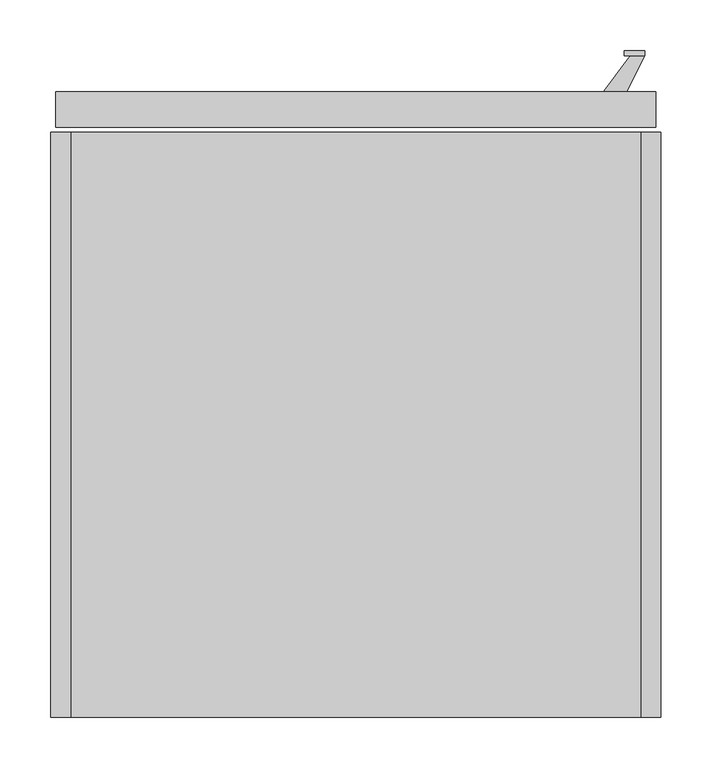
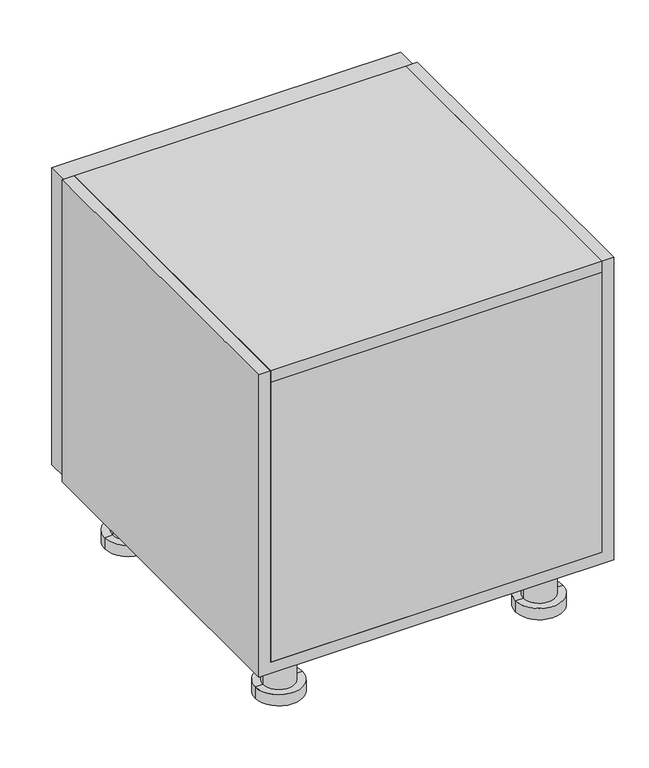
"""IFC4 building model written with IfcOpenShell, lengths in millimetres: furniture geometry."""

from ifc_helpers import new_model, si_unit, frame, origin, place, context, project, spatial, polyline, circle_curve, outline, extrude, faceted_brep, source, transform, mapped, element, save
from ifc_brep_helpers import plane_surface, cylinder_surface, advanced_brep


def furniture_3b3986ab(model_context):
    return source(origin(), model_context, "Body", "SolidModel", [
        extrude(outline(polyline([(540.0, 610.0), (570.0, 650.2555661), (584.1369396, 650.2555661), (564.1369396, 610.0), (540.0, 610.0)])), frame((0.0, 0.0, 209.0), z_axis=(0.0, 0.0, 1.0), x_axis=(1.0, 0.0, 0.0)), (0.0, 0.0, 1.0), 12.0),
        extrude(outline(polyline([(540.0, 610.0), (570.0, 650.2555661), (584.1369396, 650.2555661), (564.1369396, 610.0), (540.0, 610.0)])), frame((0.0, 0.0, 319.0), z_axis=(0.0, 0.0, 1.0), x_axis=(1.0, 0.0, 0.0)), (0.0, 0.0, 1.0), 12.0),
        extrude(outline(polyline([(584.1369396, 655.2555661), (584.1369396, 650.2555661), (564.1369396, 650.2555661), (564.1369396, 655.2555661), (584.1369396, 655.2555661)])), frame((0.0, 0.0, 190.0), z_axis=(0.0, 0.0, 1.0), x_axis=(1.0, 0.0, 0.0)), (0.0, 0.0, 1.0), 160.0),
        advanced_brep(
        [(120.0, 520.0, 0.0), (40.0, 520.0, 0.0), (80.0, 520.0, 0.0), (120.0, 520.0, -20.0), (40.0, 520.0, -20.0), (106.6666667, 520.0, -20.0), (53.3333333, 520.0, -20.0), (106.6666667, 520.0, -80.0), (53.3333333, 520.0, -80.0), (120.0, 520.0, -80.0), (40.0, 520.0, -80.0), (120.0, 520.0, -100.0), (40.0, 520.0, -100.0), (80.0, 520.0, -100.0)],
        [
            (0, 1, circle_curve(frame((80.0, 520.0, 0.0), z_axis=(0.0, 0.0, 1.0), x_axis=(-1.0, 0.0, 0.0)), 40.0)),
            (1, 2),
            (2, 0),
            (1, 0, circle_curve(frame((80.0, 520.0, 0.0), z_axis=(0.0, 0.0, 1.0), x_axis=(-1.0, 0.0, 0.0)), 40.0)),
            (3, 4, circle_curve(frame((80.0, 520.0, -20.0), z_axis=(0.0, 0.0, 1.0), x_axis=(-1.0, 0.0, 0.0)), 40.0)),
            (4, 1),
            (0, 3),
            (4, 3, circle_curve(frame((80.0, 520.0, -20.0), z_axis=(0.0, 0.0, 1.0), x_axis=(-1.0, 0.0, 0.0)), 40.0)),
            (5, 6, circle_curve(frame((80.0, 520.0, -20.0), z_axis=(0.0, 0.0, 1.0), x_axis=(-1.0, 0.0, 0.0)), 26.6666667)),
            (6, 4),
            (3, 5),
            (6, 5, circle_curve(frame((80.0, 520.0, -20.0), z_axis=(0.0, 0.0, 1.0), x_axis=(-1.0, 0.0, 0.0)), 26.6666667)),
            (7, 8, circle_curve(frame((80.0, 520.0, -80.0), z_axis=(0.0, 0.0, 1.0), x_axis=(-1.0, 0.0, 0.0)), 26.6666667)),
            (8, 6),
            (5, 7),
            (8, 7, circle_curve(frame((80.0, 520.0, -80.0), z_axis=(0.0, 0.0, 1.0), x_axis=(-1.0, 0.0, 0.0)), 26.6666667)),
            (9, 10, circle_curve(frame((80.0, 520.0, -80.0), z_axis=(0.0, 0.0, 1.0), x_axis=(-1.0, 0.0, 0.0)), 40.0)),
            (10, 8),
            (7, 9),
            (10, 9, circle_curve(frame((80.0, 520.0, -80.0), z_axis=(0.0, 0.0, 1.0), x_axis=(-1.0, 0.0, 0.0)), 40.0)),
            (11, 12, circle_curve(frame((80.0, 520.0, -100.0), z_axis=(0.0, 0.0, 1.0), x_axis=(-1.0, 0.0, 0.0)), 40.0)),
            (12, 10),
            (9, 11),
            (12, 11, circle_curve(frame((80.0, 520.0, -100.0), z_axis=(0.0, 0.0, 1.0), x_axis=(-1.0, 0.0, 0.0)), 40.0)),
            (13, 12),
            (11, 13),
        ],
        [
            plane_surface(frame((80.0, 520.0, 0.0), z_axis=(0.0, 0.0, 1.0), x_axis=(-1.0, 0.0, 0.0))),
            cylinder_surface(frame((80.0, 520.0, -135.0), z_axis=(0.0, 0.0, -1.0), x_axis=(-1.0, 0.0, 0.0)), 40.0),
            plane_surface(frame((80.0, 520.0, -20.0), z_axis=(0.0, 0.0, -1.0), x_axis=(-1.0, 0.0, 0.0))),
            cylinder_surface(frame((80.0, 520.0, -135.0), z_axis=(0.0, 0.0, -1.0), x_axis=(-1.0, 0.0, 0.0)), 26.6666667),
            plane_surface(frame((80.0, 520.0, -80.0), z_axis=(0.0, 0.0, 1.0), x_axis=(-1.0, 0.0, 0.0))),
            plane_surface(frame((80.0, 520.0, -100.0), z_axis=(0.0, 0.0, -1.0), x_axis=(-1.0, 0.0, 0.0))),
        ],
        [
            (0, [[1, 2, 3]]),
            (0, [[4, -3, -2]]),
            (1, [[5, 6, -1, 7]]),
            (1, [[8, -7, -4, -6]]),
            (2, [[9, 10, -5, 11]]),
            (2, [[12, -11, -8, -10]]),
            (3, [[13, 14, -9, 15]]),
            (3, [[16, -15, -12, -14]]),
            (4, [[17, 18, -13, 19]]),
            (4, [[20, -19, -16, -18]]),
            (1, [[21, 22, -17, 23]]),
            (1, [[24, -23, -20, -22]]),
            (5, [[25, -21, 26]]),
            (5, [[-26, -24, -25]]),
        ],
    ),
        advanced_brep(
        [(560.0, 520.0, 0.0), (480.0, 520.0, 0.0), (520.0, 520.0, 0.0), (560.0, 520.0, -20.0), (480.0, 520.0, -20.0), (546.6666667, 520.0, -20.0), (493.3333333, 520.0, -20.0), (546.6666667, 520.0, -80.0), (493.3333333, 520.0, -80.0), (560.0, 520.0, -80.0), (480.0, 520.0, -80.0), (560.0, 520.0, -100.0), (480.0, 520.0, -100.0), (520.0, 520.0, -100.0)],
        [
            (0, 1, circle_curve(frame((520.0, 520.0, 0.0), z_axis=(0.0, 0.0, 1.0), x_axis=(-1.0, 0.0, 0.0)), 40.0)),
            (1, 2),
            (2, 0),
            (1, 0, circle_curve(frame((520.0, 520.0, 0.0), z_axis=(0.0, 0.0, 1.0), x_axis=(-1.0, 0.0, 0.0)), 40.0)),
            (3, 4, circle_curve(frame((520.0, 520.0, -20.0), z_axis=(0.0, 0.0, 1.0), x_axis=(-1.0, 0.0, 0.0)), 40.0)),
            (4, 1),
            (0, 3),
            (4, 3, circle_curve(frame((520.0, 520.0, -20.0), z_axis=(0.0, 0.0, 1.0), x_axis=(-1.0, 0.0, 0.0)), 40.0)),
            (5, 6, circle_curve(frame((520.0, 520.0, -20.0), z_axis=(0.0, 0.0, 1.0), x_axis=(-1.0, 0.0, 0.0)), 26.6666667)),
            (6, 4),
            (3, 5),
            (6, 5, circle_curve(frame((520.0, 520.0, -20.0), z_axis=(0.0, 0.0, 1.0), x_axis=(-1.0, 0.0, 0.0)), 26.6666667)),
            (7, 8, circle_curve(frame((520.0, 520.0, -80.0), z_axis=(0.0, 0.0, 1.0), x_axis=(-1.0, 0.0, 0.0)), 26.6666667)),
            (8, 6),
            (5, 7),
            (8, 7, circle_curve(frame((520.0, 520.0, -80.0), z_axis=(0.0, 0.0, 1.0), x_axis=(-1.0, 0.0, 0.0)), 26.6666667)),
            (9, 10, circle_curve(frame((520.0, 520.0, -80.0), z_axis=(0.0, 0.0, 1.0), x_axis=(-1.0, 0.0, 0.0)), 40.0)),
            (10, 8),
            (7, 9),
            (10, 9, circle_curve(frame((520.0, 520.0, -80.0), z_axis=(0.0, 0.0, 1.0), x_axis=(-1.0, 0.0, 0.0)), 40.0)),
            (11, 12, circle_curve(frame((520.0, 520.0, -100.0), z_axis=(0.0, 0.0, 1.0), x_axis=(-1.0, 0.0, 0.0)), 40.0)),
            (12, 10),
            (9, 11),
            (12, 11, circle_curve(frame((520.0, 520.0, -100.0), z_axis=(0.0, 0.0, 1.0), x_axis=(-1.0, 0.0, 0.0)), 40.0)),
            (13, 12),
            (11, 13),
        ],
        [
            plane_surface(frame((520.0, 520.0, 0.0), z_axis=(0.0, 0.0, 1.0), x_axis=(-1.0, 0.0, 0.0))),
            cylinder_surface(frame((520.0, 520.0, -135.0), z_axis=(0.0, 0.0, -1.0), x_axis=(-1.0, 0.0, 0.0)), 40.0),
            plane_surface(frame((520.0, 520.0, -20.0), z_axis=(0.0, 0.0, -1.0), x_axis=(-1.0, 0.0, 0.0))),
            cylinder_surface(frame((520.0, 520.0, -135.0), z_axis=(0.0, 0.0, -1.0), x_axis=(-1.0, 0.0, 0.0)), 26.6666667),
            plane_surface(frame((520.0, 520.0, -80.0), z_axis=(0.0, 0.0, 1.0), x_axis=(-1.0, 0.0, 0.0))),
            plane_surface(frame((520.0, 520.0, -100.0), z_axis=(0.0, 0.0, -1.0), x_axis=(-1.0, 0.0, 0.0))),
        ],
        [
            (0, [[1, 2, 3]]),
            (0, [[4, -3, -2]]),
            (1, [[5, 6, -1, 7]]),
            (1, [[8, -7, -4, -6]]),
            (2, [[9, 10, -5, 11]]),
            (2, [[12, -11, -8, -10]]),
            (3, [[13, 14, -9, 15]]),
            (3, [[16, -15, -12, -14]]),
            (4, [[17, 18, -13, 19]]),
            (4, [[20, -19, -16, -18]]),
            (1, [[21, 22, -17, 23]]),
            (1, [[24, -23, -20, -22]]),
            (5, [[25, -21, 26]]),
            (5, [[-26, -24, -25]]),
        ],
    ),
        advanced_brep(
        [(120.0, 80.0, 0.0), (40.0, 80.0, 0.0), (80.0, 80.0, 0.0), (120.0, 80.0, -20.0), (40.0, 80.0, -20.0), (106.6666667, 80.0, -20.0), (53.3333333, 80.0, -20.0), (106.6666667, 80.0, -80.0), (53.3333333, 80.0, -80.0), (120.0, 80.0, -80.0), (40.0, 80.0, -80.0), (120.0, 80.0, -100.0), (40.0, 80.0, -100.0), (80.0, 80.0, -100.0)],
        [
            (0, 1, circle_curve(frame((80.0, 80.0, 0.0), z_axis=(0.0, 0.0, 1.0), x_axis=(-1.0, 0.0, 0.0)), 40.0)),
            (1, 2),
            (2, 0),
            (1, 0, circle_curve(frame((80.0, 80.0, 0.0), z_axis=(0.0, 0.0, 1.0), x_axis=(-1.0, 0.0, 0.0)), 40.0)),
            (3, 4, circle_curve(frame((80.0, 80.0, -20.0), z_axis=(0.0, 0.0, 1.0), x_axis=(-1.0, 0.0, 0.0)), 40.0)),
            (4, 1),
            (0, 3),
            (4, 3, circle_curve(frame((80.0, 80.0, -20.0), z_axis=(0.0, 0.0, 1.0), x_axis=(-1.0, 0.0, 0.0)), 40.0)),
            (5, 6, circle_curve(frame((80.0, 80.0, -20.0), z_axis=(0.0, 0.0, 1.0), x_axis=(-1.0, 0.0, 0.0)), 26.6666667)),
            (6, 4),
            (3, 5),
            (6, 5, circle_curve(frame((80.0, 80.0, -20.0), z_axis=(0.0, 0.0, 1.0), x_axis=(-1.0, 0.0, 0.0)), 26.6666667)),
            (7, 8, circle_curve(frame((80.0, 80.0, -80.0), z_axis=(0.0, 0.0, 1.0), x_axis=(-1.0, 0.0, 0.0)), 26.6666667)),
            (8, 6),
            (5, 7),
            (8, 7, circle_curve(frame((80.0, 80.0, -80.0), z_axis=(0.0, 0.0, 1.0), x_axis=(-1.0, 0.0, 0.0)), 26.6666667)),
            (9, 10, circle_curve(frame((80.0, 80.0, -80.0), z_axis=(0.0, 0.0, 1.0), x_axis=(-1.0, 0.0, 0.0)), 40.0)),
            (10, 8),
            (7, 9),
            (10, 9, circle_curve(frame((80.0, 80.0, -80.0), z_axis=(0.0, 0.0, 1.0), x_axis=(-1.0, 0.0, 0.0)), 40.0)),
            (11, 12, circle_curve(frame((80.0, 80.0, -100.0), z_axis=(0.0, 0.0, 1.0), x_axis=(-1.0, 0.0, 0.0)), 40.0)),
            (12, 10),
            (9, 11),
            (12, 11, circle_curve(frame((80.0, 80.0, -100.0), z_axis=(0.0, 0.0, 1.0), x_axis=(-1.0, 0.0, 0.0)), 40.0)),
            (13, 12),
            (11, 13),
        ],
        [
            plane_surface(frame((80.0, 80.0, 0.0), z_axis=(0.0, 0.0, 1.0), x_axis=(-1.0, 0.0, 0.0))),
            cylinder_surface(frame((80.0, 80.0, -135.0), z_axis=(0.0, 0.0, -1.0), x_axis=(-1.0, 0.0, 0.0)), 40.0),
            plane_surface(frame((80.0, 80.0, -20.0), z_axis=(0.0, 0.0, -1.0), x_axis=(-1.0, 0.0, 0.0))),
            cylinder_surface(frame((80.0, 80.0, -135.0), z_axis=(0.0, 0.0, -1.0), x_axis=(-1.0, 0.0, 0.0)), 26.6666667),
            plane_surface(frame((80.0, 80.0, -80.0), z_axis=(0.0, 0.0, 1.0), x_axis=(-1.0, 0.0, 0.0))),
            plane_surface(frame((80.0, 80.0, -100.0), z_axis=(0.0, 0.0, -1.0), x_axis=(-1.0, 0.0, 0.0))),
        ],
        [
            (0, [[1, 2, 3]]),
            (0, [[4, -3, -2]]),
            (1, [[5, 6, -1, 7]]),
            (1, [[8, -7, -4, -6]]),
            (2, [[9, 10, -5, 11]]),
            (2, [[12, -11, -8, -10]]),
            (3, [[13, 14, -9, 15]]),
            (3, [[16, -15, -12, -14]]),
            (4, [[17, 18, -13, 19]]),
            (4, [[20, -19, -16, -18]]),
            (1, [[21, 22, -17, 23]]),
            (1, [[24, -23, -20, -22]]),
            (5, [[25, -21, 26]]),
            (5, [[-26, -24, -25]]),
        ],
    ),
        advanced_brep(
        [(560.0, 80.0, 0.0), (480.0, 80.0, 0.0), (520.0, 80.0, 0.0), (560.0, 80.0, -20.0), (480.0, 80.0, -20.0), (546.6666667, 80.0, -20.0), (493.3333333, 80.0, -20.0), (546.6666667, 80.0, -80.0), (493.3333333, 80.0, -80.0), (560.0, 80.0, -80.0), (480.0, 80.0, -80.0), (560.0, 80.0, -100.0), (480.0, 80.0, -100.0), (520.0, 80.0, -100.0)],
        [
            (0, 1, circle_curve(frame((520.0, 80.0, 0.0), z_axis=(0.0, 0.0, 1.0), x_axis=(-1.0, 0.0, 0.0)), 40.0)),
            (1, 2),
            (2, 0),
            (1, 0, circle_curve(frame((520.0, 80.0, 0.0), z_axis=(0.0, 0.0, 1.0), x_axis=(-1.0, 0.0, 0.0)), 40.0)),
            (3, 4, circle_curve(frame((520.0, 80.0, -20.0), z_axis=(0.0, 0.0, 1.0), x_axis=(-1.0, 0.0, 0.0)), 40.0)),
            (4, 1),
            (0, 3),
            (4, 3, circle_curve(frame((520.0, 80.0, -20.0), z_axis=(0.0, 0.0, 1.0), x_axis=(-1.0, 0.0, 0.0)), 40.0)),
            (5, 6, circle_curve(frame((520.0, 80.0, -20.0), z_axis=(0.0, 0.0, 1.0), x_axis=(-1.0, 0.0, 0.0)), 26.6666667)),
            (6, 4),
            (3, 5),
            (6, 5, circle_curve(frame((520.0, 80.0, -20.0), z_axis=(0.0, 0.0, 1.0), x_axis=(-1.0, 0.0, 0.0)), 26.6666667)),
            (7, 8, circle_curve(frame((520.0, 80.0, -80.0), z_axis=(0.0, 0.0, 1.0), x_axis=(-1.0, 0.0, 0.0)), 26.6666667)),
            (8, 6),
            (5, 7),
            (8, 7, circle_curve(frame((520.0, 80.0, -80.0), z_axis=(0.0, 0.0, 1.0), x_axis=(-1.0, 0.0, 0.0)), 26.6666667)),
            (9, 10, circle_curve(frame((520.0, 80.0, -80.0), z_axis=(0.0, 0.0, 1.0), x_axis=(-1.0, 0.0, 0.0)), 40.0)),
            (10, 8),
            (7, 9),
            (10, 9, circle_curve(frame((520.0, 80.0, -80.0), z_axis=(0.0, 0.0, 1.0), x_axis=(-1.0, 0.0, 0.0)), 40.0)),
            (11, 12, circle_curve(frame((520.0, 80.0, -100.0), z_axis=(0.0, 0.0, 1.0), x_axis=(-1.0, 0.0, 0.0)), 40.0)),
            (12, 10),
            (9, 11),
            (12, 11, circle_curve(frame((520.0, 80.0, -100.0), z_axis=(0.0, 0.0, 1.0), x_axis=(-1.0, 0.0, 0.0)), 40.0)),
            (13, 12),
            (11, 13),
        ],
        [
            plane_surface(frame((520.0, 80.0, 0.0), z_axis=(0.0, 0.0, 1.0), x_axis=(-1.0, 0.0, 0.0))),
            cylinder_surface(frame((520.0, 80.0, -135.0), z_axis=(0.0, 0.0, -1.0), x_axis=(-1.0, 0.0, 0.0)), 40.0),
            plane_surface(frame((520.0, 80.0, -20.0), z_axis=(0.0, 0.0, -1.0), x_axis=(-1.0, 0.0, 0.0))),
            cylinder_surface(frame((520.0, 80.0, -135.0), z_axis=(0.0, 0.0, -1.0), x_axis=(-1.0, 0.0, 0.0)), 26.6666667),
            plane_surface(frame((520.0, 80.0, -80.0), z_axis=(0.0, 0.0, 1.0), x_axis=(-1.0, 0.0, 0.0))),
            plane_surface(frame((520.0, 80.0, -100.0), z_axis=(0.0, 0.0, -1.0), x_axis=(-1.0, 0.0, 0.0))),
        ],
        [
            (0, [[1, 2, 3]]),
            (0, [[4, -3, -2]]),
            (1, [[5, 6, -1, 7]]),
            (1, [[8, -7, -4, -6]]),
            (2, [[9, 10, -5, 11]]),
            (2, [[12, -11, -8, -10]]),
            (3, [[13, 14, -9, 15]]),
            (3, [[16, -15, -12, -14]]),
            (4, [[17, 18, -13, 19]]),
            (4, [[20, -19, -16, -18]]),
            (1, [[21, 22, -17, 23]]),
            (1, [[24, -23, -20, -22]]),
            (5, [[25, -21, 26]]),
            (5, [[-26, -24, -25]]),
        ],
    ),
        extrude(outline(polyline([(580.0, 5.0), (20.0, 5.0), (20.0, 575.0), (580.0, 575.0), (580.0, 5.0)])), frame((0.0, 0.0, 270.0), z_axis=(0.0, 0.0, 1.0), x_axis=(1.0, 0.0, 0.0)), (0.0, 0.0, 1.0), 20.0),
        extrude(outline(polyline([(580.0, 0.0), (20.0, 0.0), (20.0, 575.0), (580.0, 575.0), (580.0, 0.0)])), frame((0.0, 0.0, 520.0), z_axis=(0.0, 0.0, 1.0), x_axis=(1.0, 0.0, 0.0)), (0.0, 0.0, 1.0), 20.0),
        extrude(outline(polyline([(580.0, 0.0), (20.0, 0.0), (20.0, 5.0), (580.0, 5.0), (580.0, 0.0)])), frame((0.0, 0.0, 20.0), z_axis=(0.0, 0.0, 1.0), x_axis=(1.0, 0.0, 0.0)), (0.0, 0.0, 1.0), 500.0),
        extrude(outline(polyline([(540.0, 20.0), (540.0, 0.0), (0.0, 0.0), (0.0, 600.0), (540.0, 600.0), (540.0, 580.0), (20.0, 580.0), (20.0, 20.0), (540.0, 20.0)])), frame((0.0, 0.0, 0.0), z_axis=(0.0, 1.0, 0.0), x_axis=(0.0, 0.0, 1.0)), (0.0, 0.0, 1.0), 575.0),
        extrude(outline(polyline([(530.0, 580.0), (70.0, 580.0), (70.0, 600.0), (530.0, 600.0), (530.0, 580.0)])), frame((0.0, 0.0, 70.0), z_axis=(0.0, 0.0, 1.0), x_axis=(1.0, 0.0, 0.0)), (0.0, 0.0, 1.0), 400.0),
        faceted_brep([(540.0, 605.0, 480.0), (540.0, 610.0, 480.0), (540.0, 610.0, 60.0), (540.0, 605.0, 60.0), (567.5, 610.0, 507.5), (567.5, 615.0, 507.5), (567.5, 615.0, 32.5), (567.5, 610.0, 32.5), (595.0, 615.0, 535.0), (595.0, 580.0, 535.0), (595.0, 580.0, 5.0), (595.0, 615.0, 5.0), (530.0, 580.0, 470.0), (530.0, 605.0, 470.0), (530.0, 605.0, 70.0), (530.0, 580.0, 70.0), (60.0, 610.0, 60.0), (60.0, 605.0, 60.0), (32.5, 615.0, 32.5), (32.5, 610.0, 32.5), (5.0, 580.0, 5.0), (5.0, 615.0, 5.0), (70.0, 605.0, 70.0), (70.0, 580.0, 70.0), (60.0, 610.0, 480.0), (60.0, 605.0, 480.0), (32.5, 615.0, 507.5), (32.5, 610.0, 507.5), (5.0, 580.0, 535.0), (5.0, 615.0, 535.0), (70.0, 605.0, 470.0), (70.0, 580.0, 470.0)], [[[0, 1, 2, 3]], [[4, 5, 6, 7]], [[8, 9, 10, 11]], [[12, 13, 14, 15]], [[3, 2, 16, 17]], [[7, 6, 18, 19]], [[11, 10, 20, 21]], [[15, 14, 22, 23]], [[17, 16, 24, 25]], [[19, 18, 26, 27]], [[21, 20, 28, 29]], [[23, 22, 30, 31]], [[25, 24, 1, 0]], [[7, 19, 27, 4], [1, 24, 16, 2]], [[27, 26, 5, 4]], [[11, 21, 29, 8], [5, 26, 18, 6]], [[29, 28, 9, 8]], [[9, 28, 20, 10], [15, 23, 31, 12]], [[31, 30, 13, 12]], [[3, 17, 25, 0], [13, 30, 22, 14]]]),
    ])


if __name__ == "__main__":
    model = new_model("IFC4")
    model_context = context("Model", 3, world=origin())
    ifc_project = project(units=[si_unit("LENGTHUNIT", "METRE", prefix="MILLI")], contexts=[model_context])
    site = spatial("IfcSite", under=ifc_project)
    building = spatial("IfcBuilding", under=site)
    placement = place(None, origin())
    furniture_shape = furniture_3b3986ab(model_context)
    element("IfcFurniture", 1, at=placement, inside=building, context=model_context, shape_type="MappedRepresentation", body=[
        mapped(furniture_shape, transform((0.0, 0.0, 0.0), x_axis=(1.0, 0.0, 0.0), y_axis=(0.0, 1.0, 0.0), z_axis=(0.0, 0.0, 1.0))),
    ])
    save(model, "model.ifc")
